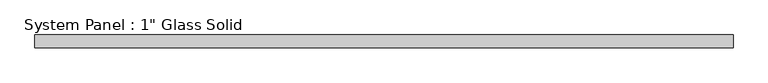
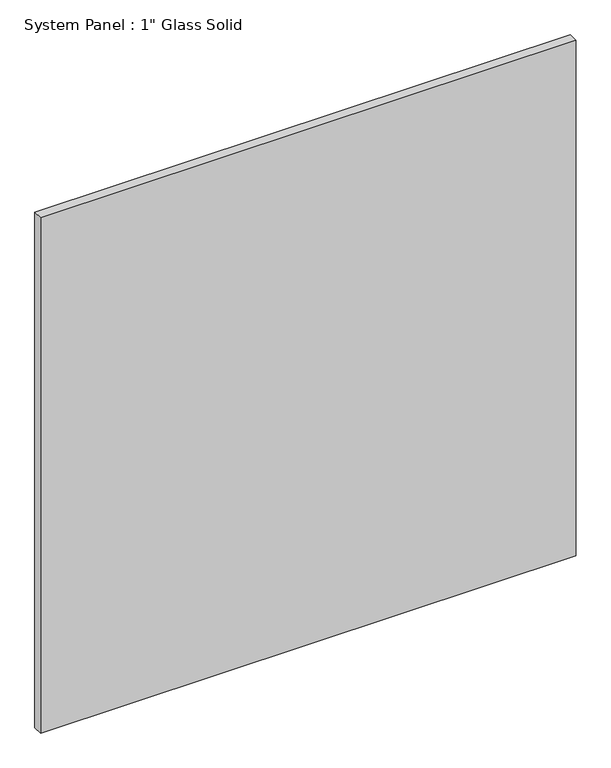
"""IFC4 building model written with IfcOpenShell, lengths in millimetres: plate geometry."""

from ifc_helpers import new_model, si_unit, origin, origin_with_axes, place, context, project, spatial, polyline, outline, extrude, source, transform, mapped, element, save


def plate_787d072f(model_context):
    return source(origin(), model_context, "Body", "SweptSolid", [
        extrude(outline(polyline([(702.1554024, -12.7), (-702.1554024, -12.7), (-702.1554024, 12.7), (702.1554024, 12.7), (702.1554024, -12.7)])), origin_with_axes(), (0.0, 0.0, 1.0), 1427.4817704),
    ])


if __name__ == "__main__":
    model = new_model("IFC4")
    model_context = context("Model", 3, world=origin())
    ifc_project = project(units=[si_unit("LENGTHUNIT", "METRE", prefix="MILLI")], contexts=[model_context])
    site = spatial("IfcSite", under=ifc_project)
    building = spatial("IfcBuilding", under=site)
    placement = place(None, origin())
    plate_shape = plate_787d072f(model_context)
    element("IfcPlate", 1, ObjectType="System Panel : 1\" Glass Solid", at=placement, inside=building, context=model_context, shape_type="MappedRepresentation", body=[
        mapped(plate_shape, transform((0.0, 0.0, 0.0), x_axis=(1.0, 0.0, 0.0), y_axis=(0.0, 1.0, 0.0), z_axis=(0.0, 0.0, 1.0))),
    ])
    save(model, "model.ifc")
